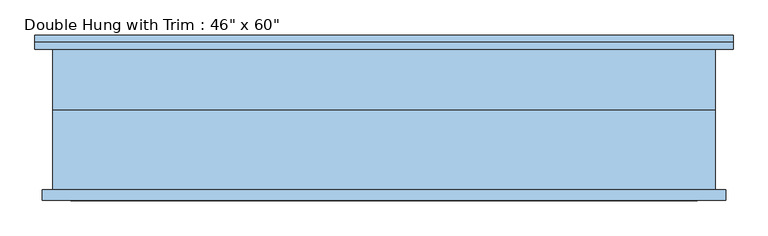
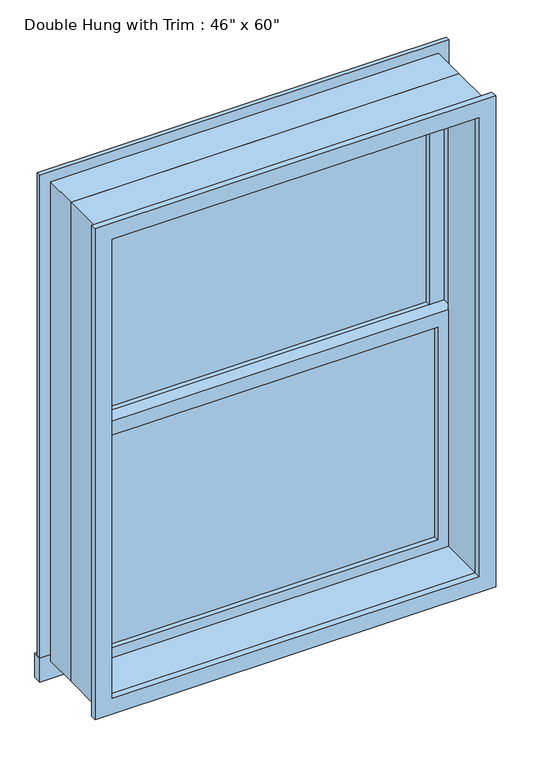
"""IFC4 building model written with IfcOpenShell, lengths in millimetres: window geometry."""

from ifc_helpers import new_model, si_unit, frame, origin, place, context, project, spatial, polyline, outline, extrude, source, transform, mapped, element, save


def window_8b4cc2b9(model_context):
    return source(origin(), model_context, "Body", "SweptSolid", [
        extrude(outline(polyline([(-520.7, 44.45), (520.7, 44.45), (520.7, 31.75), (-520.7, 31.75), (-520.7, 44.45)])), frame((0.0, 0.0, 673.1), z_axis=(0.0, 0.0, 1.0), x_axis=(1.0, 0.0, 0.0)), (0.0, 0.0, 1.0), 676.275),
        extrude(outline(polyline([(1393.825, -565.15), (628.65, -565.15), (628.65, 565.15), (1393.825, 565.15), (1393.825, -565.15)]), holes=[polyline([(1349.375, -520.7), (1349.375, 520.7), (673.1, 520.7), (673.1, -520.7), (1349.375, -520.7)])]), frame((0.0, 15.875, 0.0), z_axis=(0.0, 1.0, 0.0), x_axis=(0.0, 0.0, 1.0)), (0.0, 0.0, 1.0), 44.45),
        extrude(outline(polyline([(-615.95, 149.225), (615.95, 149.225), (615.95, 123.825), (-615.95, 123.825), (-615.95, 149.225)])), frame((0.0, 0.0, 552.45), z_axis=(0.0, 0.0, 1.0), x_axis=(1.0, 0.0, 0.0)), (0.0, 0.0, 1.0), 76.2),
        extrude(outline(polyline([(2114.55, -565.15), (2114.55, 565.15), (628.65, 565.15), (628.65, 615.95), (2165.35, 615.95), (2165.35, -615.95), (628.65, -615.95), (628.65, -565.15), (2114.55, -565.15)])), frame((0.0, 123.825, 0.0), z_axis=(0.0, 1.0, 0.0), x_axis=(0.0, 0.0, 1.0)), (0.0, 0.0, 1.0), 12.7),
        extrude(outline(polyline([(2152.65, 603.25), (2152.65, -603.25), (590.55, -603.25), (590.55, 603.25), (2152.65, 603.25)]), holes=[polyline([(2101.85, 552.45), (641.35, 552.45), (641.35, -552.45), (2101.85, -552.45), (2101.85, 552.45)])]), frame((0.0, -142.875, 0.0), z_axis=(0.0, 1.0, 0.0), x_axis=(0.0, 0.0, 1.0)), (0.0, 0.0, 1.0), 19.05),
        extrude(outline(polyline([(520.7, 76.2), (-520.7, 76.2), (-520.7, 88.9), (520.7, 88.9), (520.7, 76.2)])), frame((0.0, 0.0, 1393.825), z_axis=(0.0, 0.0, 1.0), x_axis=(1.0, 0.0, 0.0)), (0.0, 0.0, 1.0), 676.275),
        extrude(outline(polyline([(2114.55, -565.15), (1349.375, -565.15), (1349.375, 565.15), (2114.55, 565.15), (2114.55, -565.15)]), holes=[polyline([(2070.1, -520.7), (2070.1, 520.7), (1393.825, 520.7), (1393.825, -520.7), (2070.1, -520.7)])]), frame((0.0, 60.325, 0.0), z_axis=(0.0, 1.0, 0.0), x_axis=(0.0, 0.0, 1.0)), (0.0, 0.0, 1.0), 44.45),
        extrude(outline(polyline([(2133.6, -584.2), (609.6, -584.2), (609.6, 584.2), (2133.6, 584.2), (2133.6, -584.2)]), holes=[polyline([(2101.85, -552.45), (2101.85, 552.45), (641.35, 552.45), (641.35, -552.45), (2101.85, -552.45)])]), frame((0.0, -123.825, 0.0), z_axis=(0.0, 1.0, 0.0), x_axis=(0.0, 0.0, 1.0)), (0.0, 0.0, 1.0), 139.7),
        extrude(outline(polyline([(2133.6, 584.2), (2133.6, -584.2), (609.6, -584.2), (609.6, 584.2), (2133.6, 584.2)]), holes=[polyline([(2114.55, 565.15), (628.65, 565.15), (628.65, -565.15), (2114.55, -565.15), (2114.55, 565.15)])]), frame((0.0, 15.875, 0.0), z_axis=(0.0, 1.0, 0.0), x_axis=(0.0, 0.0, 1.0)), (0.0, 0.0, 1.0), 107.95),
    ])


if __name__ == "__main__":
    model = new_model("IFC4")
    model_context = context("Model", 3, world=origin())
    ifc_project = project(units=[si_unit("LENGTHUNIT", "METRE", prefix="MILLI")], contexts=[model_context])
    site = spatial("IfcSite", under=ifc_project)
    building = spatial("IfcBuilding", under=site)
    placement = place(None, origin())
    window_shape = window_8b4cc2b9(model_context)
    element("IfcWindow", 1, ObjectType="Double Hung with Trim : 46\" x 60\"", at=placement, inside=building, context=model_context, shape_type="MappedRepresentation", body=[
        mapped(window_shape, transform((0.0, 0.0, 0.0), x_axis=(1.0, 0.0, 0.0), y_axis=(0.0, 1.0, 0.0), z_axis=(0.0, 0.0, 1.0))),
    ])
    save(model, "model.ifc")
